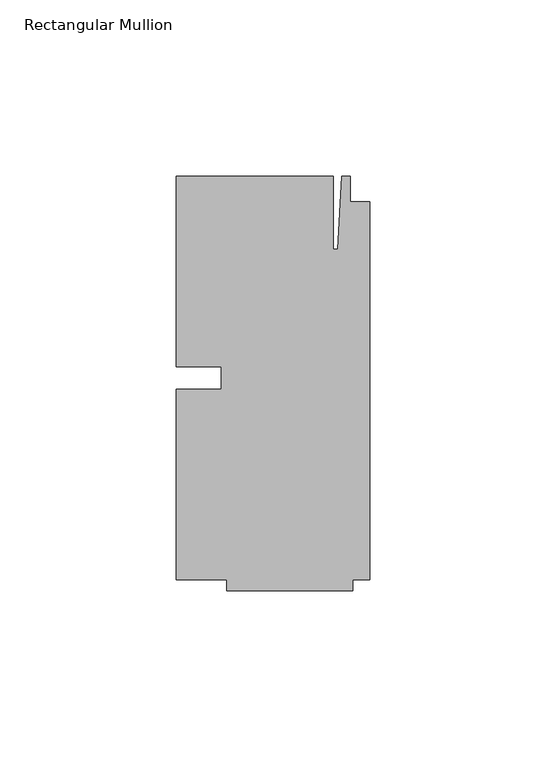
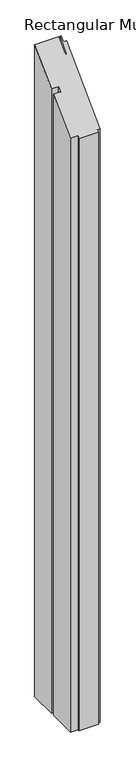
"""IFC4 building model written with IfcOpenShell, lengths in millimetres: member geometry, Rectangular Mullion."""

from ifc_helpers import new_model, si_unit, origin, place, context, project, spatial, faceted_brep, source, transform, mapped, element, save


def rectangular_mullion_e499344e(model_context):
    return source(origin(), model_context, "Body", "Brep", [
        faceted_brep([(-42.06875, -3.175, -1219.2), (-42.06875, 3.175, -1219.2), (-54.76875, 3.175, -1219.2), (-54.76875, 57.15, -1219.2), (-10.31875, 57.15, -1219.2), (-10.31875, 36.5125, -1219.2), (-9.0190655, 36.5125, -1219.2), (-7.9375, 57.15, -1219.2), (-5.55625, 57.15, -1219.2), (-5.55625, 50.00625, -1219.2), (0.0, 50.00625, -1219.2), (0.0, -57.15, -1219.2), (-4.7625, -57.15, -1219.2), (-4.7625, -60.325, -1219.2), (-40.48125, -60.325, -1219.2), (-40.48125, -57.15, -1219.2), (-54.76875, -57.15, -1219.2), (-54.76875, -3.175, -1219.2), (-54.76875, -3.175, -3.175), (-42.06875, -3.175, -3.175), (-54.76875, -57.15, -57.15), (-40.48125, -57.15, -57.15), (-40.48125, -60.325, -60.325), (-4.7625, -60.325, -60.325), (-4.7625, -57.15, -57.15), (0.0, -57.15, -57.15), (0.0, 50.00625, 50.00625), (-5.55625, 50.00625, 50.00625), (-5.55625, 57.15, 57.15), (-7.9375, 57.15, 57.15), (-9.0190655, 36.5125, 36.5125), (-10.31875, 36.5125, 36.5125), (-10.31875, 57.15, 57.15), (-54.76875, 57.15, 57.15), (-54.76875, 3.175, 3.175), (-42.06875, 3.175, 3.175)], [[[0, 1, 2, 3, 4, 5, 6, 7, 8, 9, 10, 11, 12, 13, 14, 15, 16, 17]], [[18, 19, 0, 17]], [[20, 18, 17, 16]], [[21, 20, 16, 15]], [[22, 21, 15, 14]], [[23, 22, 14, 13]], [[24, 23, 13, 12]], [[25, 24, 12, 11]], [[26, 25, 11, 10]], [[27, 26, 10, 9]], [[28, 27, 9, 8]], [[29, 28, 8, 7]], [[30, 29, 7, 6]], [[31, 30, 6, 5]], [[32, 31, 5, 4]], [[33, 32, 4, 3]], [[34, 33, 3, 2]], [[35, 34, 2, 1]], [[19, 35, 1, 0]], [[19, 18, 20, 21, 22, 23, 24, 25, 26, 27, 28, 29, 30, 31, 32, 33, 34, 35]]]),
    ])


if __name__ == "__main__":
    model = new_model("IFC4")
    model_context = context("Model", 3, world=origin())
    ifc_project = project(units=[si_unit("LENGTHUNIT", "METRE", prefix="MILLI")], contexts=[model_context])
    site = spatial("IfcSite", under=ifc_project)
    building = spatial("IfcBuilding", under=site)
    placement = place(None, origin())
    rectangular_mullion_shape = rectangular_mullion_e499344e(model_context)
    element("IfcMember", 1, ObjectType="Rectangular Mullion", at=placement, inside=building, context=model_context, shape_type="MappedRepresentation", body=[
        mapped(rectangular_mullion_shape, transform((0.0, 0.0, 0.0), x_axis=(1.0, 0.0, 0.0), y_axis=(0.0, 1.0, 0.0), z_axis=(0.0, 0.0, 1.0))),
    ])
    save(model, "model.ifc")
